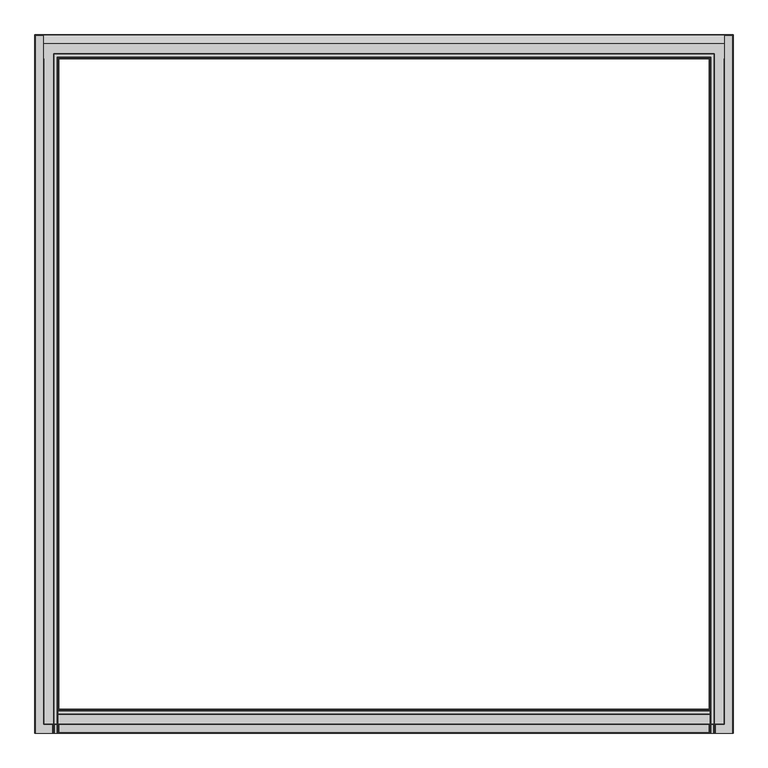
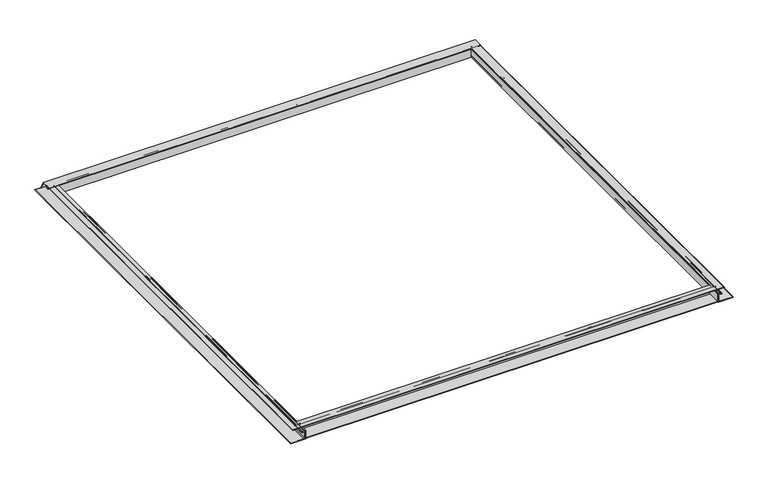
"""IFC4 building model written with IfcOpenShell, lengths in millimetres: fastener geometry."""

from ifc_helpers import new_model, si_unit, point, frame, frame_2d, origin, place, context, project, spatial, polyline, circle_curve, ellipse_curve, trimmed, segment, composite_curve, outline, extrude, source, transform, mapped, element, save
from ifc_brep_helpers import plane_surface, cylinder_surface, revolved_surface, advanced_brep


def fastener_6e25423f(model_context):
    return source(origin(), model_context, "Body", "SolidModel", [
        advanced_brep(
        [(-1189.1053092, 1141.2343456, -15.1685625), (-1189.1053092, 1135.3165, -15.1685625), (-1189.1053092, 1135.3165, -13.8350625), (-1189.1053092, 1135.3165, -12.5015625), (-1189.1053092, 1190.6451024, -12.5015625), (-1189.1053092, 1217.7515464, -59.4513008), (-1189.1053092, 1215.4418567, -60.7848008), (-1189.1053092, 1189.1053092, -15.1685625), (-1189.1053092, 1161.8308783, -15.1685625), (-1189.1053092, 1159.573508, -17.4259327), (-1189.1053092, 1159.573508, -26.7633474), (-1189.1053092, 1149.6719492, -26.7633474), (-1189.1053092, 1149.6719492, -24.7662067), (-1189.1053092, 1150.5032605, -24.7662067), (-1189.1053092, 1151.5117177, -23.7577495), (-1189.1053092, 1151.5117177, -21.8661038), (-1189.1053092, 1156.2117258, -21.8661038), (-1189.1053092, 1156.2117258, -15.1685625), (-1189.1053092, 1152.1178999, -15.1685625), (-1189.1053092, 1151.9131963, -17.2095918), (-1189.1053092, 1152.9812344, -18.2776299), (-1189.1053092, 1152.5091166, -19.1991038), (-1189.1053092, 1140.8431289, -19.1991038), (-1189.1053092, 1140.3710112, -18.2776299), (-1189.1053092, 1141.4390493, -17.2095918), (1189.1053092, 1141.2343456, -15.1685625), (1189.1053092, 1141.4390493, -17.2095918), (1189.1053092, 1140.3710112, -18.2776299), (1189.1053092, 1140.8431289, -19.1991038), (1189.1053092, 1152.5091166, -19.1991038), (1189.1053092, 1152.9812344, -18.2776299), (1189.1053092, 1151.9131963, -17.2095918), (1189.1053092, 1152.1178999, -15.1685625), (1189.1053092, 1156.2117258, -15.1685625), (1189.1053092, 1156.2117258, -21.8661038), (1189.1053092, 1151.5117177, -21.8661038), (1189.1053092, 1151.5117177, -23.7577495), (1189.1053092, 1150.5032605, -24.7662067), (1189.1053092, 1149.6719492, -24.7662067), (1189.1053092, 1149.6719492, -26.7633474), (1189.1053092, 1159.573508, -26.7633474), (1189.1053092, 1159.573508, -17.4259327), (1189.1053092, 1161.8308783, -15.1685625), (1189.1053092, 1189.1053092, -15.1685625), (1189.1053092, 1215.4418567, -60.7848008), (1189.1053092, 1217.7515464, -59.4513008), (1189.1053092, 1190.6451024, -12.5015625), (1189.1053092, 1135.3165, -12.5015625), (1189.1053092, 1135.3165, -13.8350625), (1189.1053092, 1135.3165, -15.1685625), (1187.7718092, 1135.3165, -15.1685625), (1187.7718092, -1187.7718092, -15.1685625), (-1187.7718092, -1187.7718092, -15.1685625), (-1187.7718092, 1135.3165, -15.1685625), (1135.3165, 1135.3165, -15.1685625), (-1135.3165, 1135.3165, -15.1685625), (-1135.3165, -1135.3165, -15.1685625), (1135.3165, -1135.3165, -15.1685625), (-1141.2160631, 1135.3165, -15.1685625), (-1152.1361825, 1135.3165, -15.1685625), (-1152.1361825, -1152.1361825, -15.1685625), (1152.1361825, -1152.1361825, -15.1685625), (1152.1361825, 1135.3165, -15.1685625), (1141.2160631, 1135.3165, -15.1685625), (1141.2160631, -1141.2160631, -15.1685625), (-1141.2160631, -1141.2160631, -15.1685625), (-1156.2117258, 1135.3165, -15.1685625), (-1161.8308783, 1135.3165, -15.1685625), (-1161.8308783, -1161.8308783, -15.1685625), (1161.8308783, -1161.8308783, -15.1685625), (1161.8308783, 1135.3165, -15.1685625), (1156.2117258, 1135.3165, -15.1685625), (1156.2117258, -1156.2117258, -15.1685625), (-1156.2117258, -1156.2117258, -15.1685625), (-1187.7718092, 1135.3165, -12.5015625), (1187.7718092, 1135.3165, -12.5015625), (1135.3165, 1135.3165, -12.5015625), (-1135.3165, 1135.3165, -12.5015625), (-1187.7718092, -1187.7718092, -12.5015625), (1187.7718092, -1187.7718092, -12.5015625), (1135.3165, -1135.3165, -12.5015625), (-1135.3165, -1135.3165, -12.5015625), (-1141.4390493, 1135.3165, -17.221498), (-1140.3710112, 1135.3165, -18.2895361), (-1140.8431289, 1135.3165, -19.21101), (-1152.5091166, 1135.3165, -19.21101), (-1152.9812344, 1135.3165, -18.2895361), (-1151.9131963, 1135.3165, -17.221498), (-1156.2117258, 1135.3165, -21.87801), (-1151.5117177, 1135.3165, -21.87801), (-1151.5117177, 1135.3165, -23.7696558), (-1150.5032605, 1135.3165, -24.7781129), (-1149.6719492, 1135.3165, -24.7781129), (-1149.6719492, 1135.3165, -26.7633474), (-1159.573508, 1135.3165, -26.7633474), (-1159.573508, 1135.3165, -17.4259327), (-1141.4390493, -1141.4390493, -17.221498), (-1140.3710112, -1140.3710112, -18.2895361), (-1140.8431289, -1140.8431289, -19.21101), (1140.8431289, -1140.8431289, -19.21101), (1140.8431289, 1135.3165, -19.21101), (1152.5091166, 1135.3165, -19.21101), (1152.5091166, -1152.5091166, -19.21101), (-1152.5091166, -1152.5091166, -19.21101), (-1152.9812344, -1152.9812344, -18.2895361), (-1151.9131963, -1151.9131963, -17.221498), (-1156.2117258, -1156.2117258, -21.87801), (1156.2117258, -1156.2117258, -21.87801), (1156.2117258, 1135.3165, -21.87801), (1151.5117177, 1135.3165, -21.87801), (1151.5117177, -1151.5117177, -21.87801), (-1151.5117177, -1151.5117177, -21.87801), (-1151.5117177, -1151.5117177, -23.7696558), (-1150.5032605, -1150.5032605, -24.7781129), (1150.5032605, -1150.5032605, -24.7781129), (1150.5032605, 1135.3165, -24.7781129), (1149.6719492, 1135.3165, -24.7781129), (1149.6719492, -1149.6719492, -24.7781129), (-1149.6719492, -1149.6719492, -24.7781129), (-1149.6719492, -1149.6719492, -26.7633474), (1149.6719492, -1149.6719492, -26.7633474), (1149.6719492, 1135.3165, -26.7633474), (1159.573508, 1135.3165, -26.7633474), (1159.573508, -1159.573508, -26.7633474), (-1159.573508, -1159.573508, -26.7633474), (-1159.573508, -1159.573508, -17.4259327), (1141.4390493, -1141.4390493, -17.221498), (1140.3710112, -1140.3710112, -18.2895361), (1152.9812344, -1152.9812344, -18.2895361), (1151.9131963, -1151.9131963, -17.221498), (1151.5117177, -1151.5117177, -23.7696558), (1159.573508, -1159.573508, -17.4259327), (1140.3710112, 1135.3165, -18.2895361), (1141.4390493, 1135.3165, -17.221498), (1151.9131963, 1135.3165, -17.221498), (1152.9812344, 1135.3165, -18.2895361), (1159.573508, 1135.3165, -17.4259327), (1151.5117177, 1135.3165, -23.7696558)],
        [
            (0, 1),
            (1, 2),
            (2, 3),
            (3, 4),
            (4, 5),
            (5, 6),
            (6, 7),
            (7, 8),
            (8, 9, circle_curve(frame((-1189.1053092, 1161.8308783, -17.4259327), z_axis=(1.0, 0.0, 0.0), x_axis=(0.0, 1.0, 0.0)), 2.2573702)),
            (9, 10),
            (10, 11),
            (11, 12, circle_curve(frame((-1189.1053092, 1149.6719492, -25.764777), z_axis=(-1.0, 0.0, 0.0), x_axis=(0.0, 1.0, 0.0)), 0.9985703)),
            (12, 13),
            (13, 14, circle_curve(frame((-1189.1053092, 1150.5032605, -23.7577495), z_axis=(1.0, 0.0, 0.0), x_axis=(0.0, 1.0, 0.0)), 1.0084572)),
            (14, 15),
            (15, 16),
            (16, 17),
            (17, 18),
            (18, 19, circle_curve(frame((-1189.1053092, 1152.8500183, -16.2727698), z_axis=(1.0, 0.0, 0.0), x_axis=(0.0, 1.0, 0.0)), 1.3248664)),
            (19, 20),
            (20, 21, circle_curve(frame((-1189.1053092, 1152.5091166, -18.6174219), z_axis=(-1.0, 0.0, 0.0), x_axis=(0.0, 1.0, 0.0)), 0.5816819)),
            (21, 22),
            (22, 23, circle_curve(frame((-1189.1053092, 1140.8431289, -18.6174219), z_axis=(-1.0, 0.0, 0.0), x_axis=(0.0, 1.0, 0.0)), 0.5816819)),
            (23, 24),
            (24, 0, circle_curve(frame((-1189.1053092, 1140.5022273, -16.2727698), z_axis=(1.0, 0.0, 0.0), x_axis=(0.0, 1.0, 0.0)), 1.3248664)),
            (25, 26, circle_curve(frame((1189.1053092, 1140.5022273, -16.2727698), z_axis=(-1.0, 0.0, 0.0), x_axis=(0.0, 1.0, 0.0)), 1.3248664)),
            (26, 27),
            (27, 28, circle_curve(frame((1189.1053092, 1140.8431289, -18.6174219), z_axis=(1.0, 0.0, 0.0), x_axis=(0.0, 1.0, 0.0)), 0.5816819)),
            (28, 29),
            (29, 30, circle_curve(frame((1189.1053092, 1152.5091166, -18.6174219), z_axis=(1.0, 0.0, 0.0), x_axis=(0.0, 1.0, 0.0)), 0.5816819)),
            (30, 31),
            (31, 32, circle_curve(frame((1189.1053092, 1152.8500183, -16.2727698), z_axis=(-1.0, 0.0, 0.0), x_axis=(0.0, 1.0, 0.0)), 1.3248664)),
            (32, 33),
            (33, 34),
            (34, 35),
            (35, 36),
            (36, 37, circle_curve(frame((1189.1053092, 1150.5032605, -23.7577495), z_axis=(-1.0, 0.0, 0.0), x_axis=(0.0, 1.0, 0.0)), 1.0084572)),
            (37, 38),
            (38, 39, circle_curve(frame((1189.1053092, 1149.6719492, -25.764777), z_axis=(1.0, 0.0, 0.0), x_axis=(0.0, 1.0, 0.0)), 0.9985703)),
            (39, 40),
            (40, 41),
            (41, 42, circle_curve(frame((1189.1053092, 1161.8308783, -17.4259327), z_axis=(-1.0, 0.0, 0.0), x_axis=(0.0, 1.0, 0.0)), 2.2573702)),
            (42, 43),
            (43, 44),
            (44, 45),
            (45, 46),
            (46, 47),
            (47, 48),
            (48, 49),
            (49, 25),
            (0, 25),
            (49, 50),
            (50, 51),
            (51, 52),
            (52, 53),
            (53, 1),
            (54, 55),
            (55, 56),
            (56, 57),
            (57, 54),
            (58, 59),
            (59, 60),
            (60, 61),
            (61, 62),
            (62, 63),
            (63, 64),
            (64, 65),
            (65, 58),
            (66, 67),
            (67, 68),
            (68, 69),
            (69, 70),
            (70, 71),
            (71, 72),
            (72, 73),
            (73, 66),
            (53, 2, circle_curve(frame((-1187.7718092, 1135.3165, -13.8350625), z_axis=(0.0, 1.0, 0.0), x_axis=(1.0, 0.0, 0.0)), 1.3335)),
            (2, 74, circle_curve(frame((-1187.7718092, 1135.3165, -13.8350625), z_axis=(0.0, 1.0, 0.0), x_axis=(1.0, 0.0, 0.0)), 1.3335)),
            (74, 3),
            (47, 75),
            (75, 48, circle_curve(frame((1187.7718092, 1135.3165, -13.8350625), z_axis=(0.0, 1.0, 0.0), x_axis=(-1.0, 0.0, 0.0)), 1.3335)),
            (48, 50, circle_curve(frame((1187.7718092, 1135.3165, -13.8350625), z_axis=(0.0, 1.0, 0.0), x_axis=(-1.0, 0.0, 0.0)), 1.3335)),
            (54, 76),
            (76, 77),
            (77, 55),
            (74, 78),
            (78, 79),
            (79, 75),
            (46, 4),
            (76, 80),
            (80, 81),
            (81, 77),
            (45, 5),
            (44, 6),
            (43, 7),
            (42, 8),
            (41, 9),
            (40, 10),
            (39, 11),
            (38, 12),
            (37, 13),
            (36, 14),
            (35, 15),
            (34, 16),
            (33, 17),
            (32, 18),
            (19, 31),
            (30, 20),
            (29, 21),
            (28, 22),
            (27, 23),
            (26, 24),
            (58, 82, circle_curve(frame((-1140.5022273, 1135.3165, -16.284676), z_axis=(0.0, -1.0, 0.0), x_axis=(1.0, 0.0, 0.0)), 1.3248664)),
            (82, 83),
            (83, 84, circle_curve(frame((-1140.8431289, 1135.3165, -18.6293281), z_axis=(0.0, 1.0, 0.0), x_axis=(1.0, 0.0, 0.0)), 0.5816819)),
            (84, 85),
            (85, 86, circle_curve(frame((-1152.5091166, 1135.3165, -18.6293281), z_axis=(0.0, 1.0, 0.0), x_axis=(1.0, 0.0, 0.0)), 0.5816819)),
            (86, 87),
            (87, 59, circle_curve(frame((-1152.8500183, 1135.3165, -16.284676), z_axis=(0.0, -1.0, 0.0), x_axis=(1.0, 0.0, 0.0)), 1.3248664)),
            (66, 88),
            (88, 89),
            (89, 90),
            (90, 91, circle_curve(frame((-1150.5032605, 1135.3165, -23.7696558), z_axis=(0.0, -1.0, 0.0), x_axis=(1.0, 0.0, 0.0)), 1.0084572)),
            (91, 92),
            (92, 93, circle_curve(frame((-1149.6719492, 1135.3165, -25.7707301), z_axis=(0.0, 1.0, 0.0), x_axis=(1.0, 0.0, 0.0)), 0.9926172)),
            (93, 94),
            (94, 95),
            (95, 67, circle_curve(frame((-1161.8308783, 1135.3165, -17.4259327), z_axis=(0.0, -1.0, 0.0), x_axis=(1.0, 0.0, 0.0)), 2.2573702)),
            (65, 96, ellipse_curve(frame((-1140.5022273, -1140.5022273, -16.284676), z_axis=(0.7071067811865475, -0.7071067811865475, 0.0), x_axis=(-0.7071067811865474, -0.7071067811865476, 0.0)), 1.873644, 1.3248664)),
            (96, 82),
            (96, 97),
            (97, 83),
            (97, 98, ellipse_curve(frame((-1140.8431289, -1140.8431289, -18.6293281), z_axis=(-0.7071067811865475, 0.7071067811865475, 0.0), x_axis=(0.7071067811865474, 0.7071067811865476, 0.0)), 0.8226224, 0.5816819)),
            (98, 84),
            (98, 99),
            (99, 100),
            (100, 101),
            (101, 102),
            (102, 103),
            (103, 85),
            (103, 104, ellipse_curve(frame((-1152.5091166, -1152.5091166, -18.6293281), z_axis=(-0.7071067811865475, 0.7071067811865475, 0.0), x_axis=(0.7071067811865474, 0.7071067811865476, 0.0)), 0.8226224, 0.5816819)),
            (104, 86),
            (104, 105),
            (105, 87),
            (105, 60, ellipse_curve(frame((-1152.8500183, -1152.8500183, -16.284676), z_axis=(0.7071067811865475, -0.7071067811865475, 0.0), x_axis=(-0.7071067811865474, -0.7071067811865476, 0.0)), 1.873644, 1.3248664)),
            (73, 106),
            (106, 88),
            (106, 107),
            (107, 108),
            (108, 109),
            (109, 110),
            (110, 111),
            (111, 89),
            (111, 112),
            (112, 90),
            (112, 113, ellipse_curve(frame((-1150.5032605, -1150.5032605, -23.7696558), z_axis=(0.7071067811865475, -0.7071067811865475, 0.0), x_axis=(-0.7071067811865474, -0.7071067811865476, 0.0)), 1.4261738, 1.0084572)),
            (113, 91),
            (113, 114),
            (114, 115),
            (115, 116),
            (116, 117),
            (117, 118),
            (118, 92),
            (118, 119, ellipse_curve(frame((-1149.6719492, -1149.6719492, -25.7707301), z_axis=(-0.7071067811865475, 0.7071067811865475, 0.0), x_axis=(0.7071067811865474, 0.7071067811865476, 0.0)), 1.4037727, 0.9926172)),
            (119, 93),
            (119, 120),
            (120, 121),
            (121, 122),
            (122, 123),
            (123, 124),
            (124, 94),
            (124, 125),
            (125, 95),
            (125, 68, ellipse_curve(frame((-1161.8308783, -1161.8308783, -17.4259327), z_axis=(0.7071067811865475, -0.7071067811865475, 0.0), x_axis=(-0.7071067811865474, -0.7071067811865476, 0.0)), 3.1924036, 2.2573702)),
            (52, 78, ellipse_curve(frame((-1187.7718092, -1187.7718092, -13.8350625), z_axis=(-0.7071067811865475, 0.7071067811865475, 0.0), x_axis=(0.7071067811865474, 0.7071067811865476, 0.0)), 1.8858538, 1.3335)),
            (81, 56),
            (64, 126, ellipse_curve(frame((1140.5022273, -1140.5022273, -16.284676), z_axis=(0.7071067811865475, 0.7071067811865475, 0.0), x_axis=(0.7071067811865476, -0.7071067811865474, 0.0)), 1.873644, 1.3248664)),
            (126, 96),
            (126, 127),
            (127, 97),
            (127, 99, ellipse_curve(frame((1140.8431289, -1140.8431289, -18.6293281), z_axis=(-0.7071067811865475, -0.7071067811865475, 0.0), x_axis=(-0.7071067811865476, 0.7071067811865474, 0.0)), 0.8226224, 0.5816819)),
            (102, 128, ellipse_curve(frame((1152.5091166, -1152.5091166, -18.6293281), z_axis=(-0.7071067811865475, -0.7071067811865475, 0.0), x_axis=(-0.7071067811865476, 0.7071067811865474, 0.0)), 0.8226224, 0.5816819)),
            (128, 104),
            (128, 129),
            (129, 105),
            (129, 61, ellipse_curve(frame((1152.8500183, -1152.8500183, -16.284676), z_axis=(0.7071067811865475, 0.7071067811865475, 0.0), x_axis=(0.7071067811865476, -0.7071067811865474, 0.0)), 1.873644, 1.3248664)),
            (72, 107),
            (110, 130),
            (130, 112),
            (130, 114, ellipse_curve(frame((1150.5032605, -1150.5032605, -23.7696558), z_axis=(0.7071067811865475, 0.7071067811865475, 0.0), x_axis=(0.7071067811865476, -0.7071067811865474, 0.0)), 1.4261738, 1.0084572)),
            (117, 120, ellipse_curve(frame((1149.6719492, -1149.6719492, -25.7707301), z_axis=(-0.7071067811865475, -0.7071067811865475, 0.0), x_axis=(-0.7071067811865476, 0.7071067811865474, 0.0)), 1.4037727, 0.9926172)),
            (123, 131),
            (131, 125),
            (131, 69, ellipse_curve(frame((1161.8308783, -1161.8308783, -17.4259327), z_axis=(0.7071067811865475, 0.7071067811865475, 0.0), x_axis=(0.7071067811865476, -0.7071067811865474, 0.0)), 3.1924036, 2.2573702)),
            (51, 79, ellipse_curve(frame((1187.7718092, -1187.7718092, -13.8350625), z_axis=(-0.7071067811865475, -0.7071067811865475, 0.0), x_axis=(-0.7071067811865476, 0.7071067811865474, 0.0)), 1.8858538, 1.3335)),
            (80, 57),
            (100, 132, circle_curve(frame((1140.8431289, 1135.3165, -18.6293281), z_axis=(0.0, 1.0, 0.0), x_axis=(-1.0, 0.0, 0.0)), 0.5816819)),
            (132, 133),
            (133, 63, circle_curve(frame((1140.5022273, 1135.3165, -16.284676), z_axis=(0.0, -1.0, 0.0), x_axis=(-1.0, 0.0, 0.0)), 1.3248664)),
            (62, 134, circle_curve(frame((1152.8500183, 1135.3165, -16.284676), z_axis=(0.0, -1.0, 0.0), x_axis=(-1.0, 0.0, 0.0)), 1.3248664)),
            (134, 135),
            (135, 101, circle_curve(frame((1152.5091166, 1135.3165, -18.6293281), z_axis=(0.0, 1.0, 0.0), x_axis=(-1.0, 0.0, 0.0)), 0.5816819)),
            (108, 71),
            (70, 136, circle_curve(frame((1161.8308783, 1135.3165, -17.4259327), z_axis=(0.0, -1.0, 0.0), x_axis=(-1.0, 0.0, 0.0)), 2.2573702)),
            (136, 122),
            (121, 116, circle_curve(frame((1149.6719492, 1135.3165, -25.7707301), z_axis=(0.0, 1.0, 0.0), x_axis=(-1.0, 0.0, 0.0)), 0.9926172)),
            (115, 137, circle_curve(frame((1150.5032605, 1135.3165, -23.7696558), z_axis=(0.0, -1.0, 0.0), x_axis=(-1.0, 0.0, 0.0)), 1.0084572)),
            (137, 109),
            (133, 126),
            (132, 127),
            (135, 128),
            (134, 129),
            (137, 130),
            (136, 131),
        ],
        [
            plane_surface(frame((-1189.1053092, 1219.2, 0.0), z_axis=(-1.0, 0.0, 0.0), x_axis=(0.0, 0.0, 1.0))),
            plane_surface(frame((1189.1053092, 1219.2, 0.0), z_axis=(1.0, 0.0, 0.0), x_axis=(0.0, 0.0, 1.0))),
            plane_surface(frame((-1189.1053092, 1141.2343456, -15.1685625), z_axis=(0.0, 0.0, -1.0), x_axis=(1.0, 0.0, 0.0))),
            plane_surface(frame((-1189.1053092, 1135.3165, -15.1685625), z_axis=(0.0, -1.0, 0.0), x_axis=(1.0, 0.0, 0.0))),
            plane_surface(frame((-1189.1053092, 1135.3165, -12.5015625), z_axis=(0.0, 0.0, 1.0), x_axis=(1.0, 0.0, 0.0))),
            plane_surface(frame((-1189.1053092, 1190.6451024, -12.5015625), z_axis=(0.0, 0.8660254037844348, 0.5000000000000067), x_axis=(1.0, 0.0, 0.0))),
            plane_surface(frame((-1189.1053092, 1217.7515464, -59.4513008), z_axis=(0.0, 0.4999999999999756, -0.8660254037844528), x_axis=(1.0, 0.0, 0.0))),
            plane_surface(frame((-1189.1053092, 1215.4418567, -60.7848008), z_axis=(0.0, -0.8660254037844309, -0.5000000000000133), x_axis=(1.0, 0.0, 0.0))),
            plane_surface(frame((-1189.1053092, 1189.1053092, -15.1685625), z_axis=(0.0, 0.0, -1.0), x_axis=(1.0, 0.0, 0.0))),
            revolved_surface(polyline([(1189.1053092, 1164.0882485, -17.4259327), (-1189.1053092, 1164.0882485, -17.4259327)]), (-1189.1053092, 1161.8308783, -17.4259327), (1.0, 0.0, 0.0)),
            plane_surface(frame((-1189.1053092, 1159.573508, -17.4259327), z_axis=(0.0, 1.0, 0.0), x_axis=(1.0, 0.0, 0.0))),
            plane_surface(frame((-1189.1053092, 1159.573508, -26.7633474), z_axis=(0.0, 0.0, -1.0), x_axis=(1.0, 0.0, 0.0))),
            cylinder_surface(frame((-1189.1053092, 1149.6719492, -25.764777), z_axis=(-1.0, 0.0, 0.0), x_axis=(0.0, 1.0, 0.0)), 0.9985703),
            plane_surface(frame((-1189.1053092, 1149.6719492, -24.7662067), z_axis=(0.0, 0.0, 1.0), x_axis=(1.0, 0.0, 0.0))),
            revolved_surface(polyline([(1189.1053092, 1151.5117177, -23.7577495), (-1189.1053092, 1151.5117177, -23.7577495)]), (-1189.1053092, 1150.5032605, -23.7577495), (1.0, 0.0, 0.0)),
            plane_surface(frame((-1189.1053092, 1151.5117177, -23.7577495), z_axis=(0.0, -1.0, 0.0), x_axis=(1.0, 0.0, 0.0))),
            plane_surface(frame((-1189.1053092, 1151.5117177, -21.8661038), z_axis=(0.0, 0.0, 1.0), x_axis=(1.0, 0.0, 0.0))),
            plane_surface(frame((-1189.1053092, 1156.2117258, -21.8661038), z_axis=(0.0, -1.0, 0.0), x_axis=(1.0, 0.0, 0.0))),
            plane_surface(frame((-1189.1053092, 1156.2117258, -15.1685625), z_axis=(0.0, 0.0, -1.0), x_axis=(1.0, 0.0, 0.0))),
            plane_surface(frame((-1189.1053092, 1151.9131963, -17.2095918), z_axis=(0.0, 0.7071067811859371, 0.7071067811871581), x_axis=(1.0, 0.0, 0.0))),
            cylinder_surface(frame((-1189.1053092, 1152.5091166, -18.6174219), z_axis=(-1.0, 0.0, 0.0), x_axis=(0.0, 1.0, 0.0)), 0.5816819),
            plane_surface(frame((-1189.1053092, 1152.5091166, -19.1991038), z_axis=(0.0, 0.0, -1.0), x_axis=(1.0, 0.0, 0.0))),
            cylinder_surface(frame((-1189.1053092, 1140.8431289, -18.6174219), z_axis=(-1.0, 0.0, 0.0), x_axis=(0.0, 1.0, 0.0)), 0.5816819),
            plane_surface(frame((-1189.1053092, 1140.3710112, -18.2776299), z_axis=(0.0, -0.7071067811859483, 0.7071067811871469), x_axis=(1.0, 0.0, 0.0))),
            revolved_surface(polyline([(1189.1053092, 1154.1748847000001, -16.2727698), (-1189.1053092, 1154.1748847000001, -16.2727698)]), (-1189.1053092, 1152.8500183, -16.2727698), (1.0, 0.0, 0.0)),
            revolved_surface(polyline([(1189.1053092, 1141.8270937, -16.2727698), (-1189.1053092, 1141.8270937, -16.2727698)]), (-1189.1053092, 1140.5022273, -16.2727698), (1.0, 0.0, 0.0)),
            plane_surface(frame((-1219.2, 1135.3165, 0.0), z_axis=(0.0, 1.0, 0.0), x_axis=(0.0, 0.0, 1.0))),
            revolved_surface(polyline([(-1139.1773609, -1141.8270936779295, -16.284676), (-1139.1773609, 1135.3165, -16.284676)]), (-1140.5022273, 1135.3165, -16.284676), (0.0, -1.0, 0.0)),
            plane_surface(frame((-1141.4390493, 1135.3165, -17.221498), z_axis=(0.7071067811872477, 0.0, 0.7071067811858475), x_axis=(0.0, -1.0, 0.0))),
            cylinder_surface(frame((-1140.8431289, 1135.3165, -18.6293281), z_axis=(0.0, 1.0, 0.0), x_axis=(1.0, 0.0, 0.0)), 0.5816819),
            plane_surface(frame((-1140.8431289, 1135.3165, -19.21101), z_axis=(0.0, 0.0, -1.0), x_axis=(0.0, -1.0, 0.0))),
            cylinder_surface(frame((-1152.5091166, 1135.3165, -18.6293281), z_axis=(0.0, 1.0, 0.0), x_axis=(1.0, 0.0, 0.0)), 0.5816819),
            plane_surface(frame((-1152.9812344, 1135.3165, -18.2895361), z_axis=(-0.7071067811877966, 0.0, 0.7071067811852986), x_axis=(0.0, -1.0, 0.0))),
            revolved_surface(polyline([(-1151.5251519, -1154.1748846779296, -16.284676), (-1151.5251519, 1135.3165, -16.284676)]), (-1152.8500183, 1135.3165, -16.284676), (0.0, -1.0, 0.0)),
            plane_surface(frame((-1156.2117258, 1135.3165, -15.1685625), z_axis=(1.0, 0.0, 0.0), x_axis=(0.0, -1.0, 0.0))),
            plane_surface(frame((-1156.2117258, 1135.3165, -21.87801), z_axis=(0.0, 0.0, 1.0), x_axis=(0.0, -1.0, 0.0))),
            plane_surface(frame((-1151.5117177, 1135.3165, -21.87801), z_axis=(1.0, 0.0, 0.0), x_axis=(0.0, -1.0, 0.0))),
            revolved_surface(polyline([(-1149.4948032999998, -1151.5117177000002, -23.7696558), (-1149.4948032999998, 1135.3165, -23.7696558)]), (-1150.5032605, 1135.3165, -23.7696558), (0.0, -1.0, 0.0)),
            plane_surface(frame((-1150.5032605, 1135.3165, -24.7781129), z_axis=(0.0, 0.0, 1.0), x_axis=(0.0, -1.0, 0.0))),
            cylinder_surface(frame((-1149.6719492, 1135.3165, -25.7707301), z_axis=(0.0, 1.0, 0.0), x_axis=(1.0, 0.0, 0.0)), 0.9926172),
            plane_surface(frame((-1149.6719492, 1135.3165, -26.7633474), z_axis=(0.0, 0.0, -1.0), x_axis=(0.0, -1.0, 0.0))),
            plane_surface(frame((-1159.573508, 1135.3165, -26.7633474), z_axis=(-1.0, 0.0, 0.0), x_axis=(0.0, -1.0, 0.0))),
            revolved_surface(polyline([(-1159.5735081, -1164.0882485338448, -17.4259327), (-1159.5735081, 1135.3165, -17.4259327)]), (-1161.8308783, 1135.3165, -17.4259327), (0.0, -1.0, 0.0)),
            cylinder_surface(frame((-1187.7718092, 1135.3165, -13.8350625), z_axis=(0.0, 1.0, 0.0), x_axis=(1.0, 0.0, 0.0)), 1.3335),
            plane_surface(frame((-1135.3165, 1135.3165, -12.5015625), z_axis=(1.0, 0.0, 0.0), x_axis=(0.0, -1.0, 0.0))),
            revolved_surface(polyline([(1141.8270936779297, -1139.1773609, -16.284676), (-1141.8270936779295, -1139.1773609, -16.284676)]), (-1219.2, -1140.5022273, -16.284676), (1.0, 0.0, 0.0)),
            plane_surface(frame((-1141.4390493, -1141.4390493, -17.221498), z_axis=(0.0, 0.7071067811872477, 0.7071067811858475), x_axis=(1.0, 0.0, 0.0))),
            cylinder_surface(frame((-1219.2, -1140.8431289, -18.6293281), z_axis=(-1.0, 0.0, 0.0), x_axis=(0.0, 1.0, 0.0)), 0.5816819),
            cylinder_surface(frame((-1219.2, -1152.5091166, -18.6293281), z_axis=(-1.0, 0.0, 0.0), x_axis=(0.0, 1.0, 0.0)), 0.5816819),
            plane_surface(frame((-1152.9812344, -1152.9812344, -18.2895361), z_axis=(0.0, -0.7071067811877966, 0.7071067811852986), x_axis=(1.0, 0.0, 0.0))),
            revolved_surface(polyline([(1154.1748846779299, -1151.5251519, -16.284676), (-1154.1748846779296, -1151.5251519, -16.284676)]), (-1219.2, -1152.8500183, -16.284676), (1.0, 0.0, 0.0)),
            plane_surface(frame((-1156.2117258, -1156.2117258, -15.1685625), z_axis=(0.0, 1.0, 0.0), x_axis=(1.0, 0.0, 0.0))),
            plane_surface(frame((-1151.5117177, -1151.5117177, -21.87801), z_axis=(0.0, 1.0, 0.0), x_axis=(1.0, 0.0, 0.0))),
            revolved_surface(polyline([(1151.5117177, -1149.4948032999998, -23.7696558), (-1151.5117177, -1149.4948032999998, -23.7696558)]), (-1219.2, -1150.5032605, -23.7696558), (1.0, 0.0, 0.0)),
            cylinder_surface(frame((-1219.2, -1149.6719492, -25.7707301), z_axis=(-1.0, 0.0, 0.0), x_axis=(0.0, 1.0, 0.0)), 0.9926172),
            plane_surface(frame((-1159.573508, -1159.573508, -26.7633474), z_axis=(0.0, -1.0, 0.0), x_axis=(1.0, 0.0, 0.0))),
            revolved_surface(polyline([(1164.0882485338445, -1159.5735081, -17.4259327), (-1164.0882485338443, -1159.5735081, -17.4259327)]), (-1219.2, -1161.8308783, -17.4259327), (1.0, 0.0, 0.0)),
            cylinder_surface(frame((-1219.2, -1187.7718092, -13.8350625), z_axis=(-1.0, 0.0, 0.0), x_axis=(0.0, 1.0, 0.0)), 1.3335),
            plane_surface(frame((-1135.3165, -1135.3165, -12.5015625), z_axis=(0.0, 1.0, 0.0), x_axis=(1.0, 0.0, 0.0))),
            plane_surface(frame((1219.2, 1135.3165, 0.0), z_axis=(0.0, 1.0, 0.0), x_axis=(0.0, 0.0, 1.0))),
            revolved_surface(polyline([(1139.1773609, 1135.3164999999997, -16.284676), (1139.1773609, -1141.8270936779295, -16.284676)]), (1140.5022273, -1219.2, -16.284676), (0.0, 1.0, 0.0)),
            plane_surface(frame((1141.4390493, -1141.4390493, -17.221498), z_axis=(-0.7071067811872477, 0.0, 0.7071067811858475), x_axis=(0.0, 1.0, 0.0))),
            cylinder_surface(frame((1140.8431289, -1219.2, -18.6293281), z_axis=(0.0, -1.0, 0.0), x_axis=(-1.0, 0.0, 0.0)), 0.5816819),
            cylinder_surface(frame((1152.5091166, -1219.2, -18.6293281), z_axis=(0.0, -1.0, 0.0), x_axis=(-1.0, 0.0, 0.0)), 0.5816819),
            plane_surface(frame((1152.9812344, -1152.9812344, -18.2895361), z_axis=(0.7071067811877966, 0.0, 0.7071067811852986), x_axis=(0.0, 1.0, 0.0))),
            revolved_surface(polyline([(1151.5251519, 1135.3164999999997, -16.284676), (1151.5251519, -1154.1748846779296, -16.284676)]), (1152.8500183, -1219.2, -16.284676), (0.0, 1.0, 0.0)),
            plane_surface(frame((1156.2117258, -1156.2117258, -15.1685625), z_axis=(-1.0, 0.0, 0.0), x_axis=(0.0, 1.0, 0.0))),
            plane_surface(frame((1151.5117177, -1151.5117177, -21.87801), z_axis=(-1.0, 0.0, 0.0), x_axis=(0.0, 1.0, 0.0))),
            revolved_surface(polyline([(1149.4948032999998, 1135.3164999999997, -23.7696558), (1149.4948032999998, -1151.5117177, -23.7696558)]), (1150.5032605, -1219.2, -23.7696558), (0.0, 1.0, 0.0)),
            cylinder_surface(frame((1149.6719492, -1219.2, -25.7707301), z_axis=(0.0, -1.0, 0.0), x_axis=(-1.0, 0.0, 0.0)), 0.9926172),
            plane_surface(frame((1159.573508, -1159.573508, -26.7633474), z_axis=(1.0, 0.0, 0.0), x_axis=(0.0, 1.0, 0.0))),
            revolved_surface(polyline([(1159.5735081, 1135.3164999999997, -17.4259327), (1159.5735081, -1164.0882485338443, -17.4259327)]), (1161.8308783, -1219.2, -17.4259327), (0.0, 1.0, 0.0)),
            cylinder_surface(frame((1187.7718092, -1219.2, -13.8350625), z_axis=(0.0, -1.0, 0.0), x_axis=(-1.0, 0.0, 0.0)), 1.3335),
            plane_surface(frame((1135.3165, -1135.3165, -12.5015625), z_axis=(-1.0, 0.0, 0.0), x_axis=(0.0, 1.0, 0.0))),
        ],
        [
            (0, [[1, 2, 3, 4, 5, 6, 7, 8, 9, 10, 11, 12, 13, 14, 15, 16, 17, 18, 19, 20, 21, 22, 23, 24, 25]]),
            (1, [[26, 27, 28, 29, 30, 31, 32, 33, 34, 35, 36, 37, 38, 39, 40, 41, 42, 43, 44, 45, 46, 47, 48, 49, 50]]),
            (2, [[-1, 51, -50, 52, 53, 54, 55, 56], [57, 58, 59, 60], [61, 62, 63, 64, 65, 66, 67, 68], [69, 70, 71, 72, 73, 74, 75, 76]]),
            (3, [[-2, -56, 77]]),
            (3, [[-3, 78, 79]]),
            (3, [[-48, 80, 81]]),
            (3, [[-49, 82, -52]]),
            (3, [[-57, 83, 84, 85]]),
            (4, [[-4, -79, 86, 87, 88, -80, -47, 89], [-84, 90, 91, 92]]),
            (5, [[-5, -89, -46, 93]]),
            (6, [[-6, -93, -45, 94]]),
            (7, [[-7, -94, -44, 95]]),
            (8, [[-8, -95, -43, 96]]),
            (9, [[-9, -96, -42, 97]]),
            (10, [[-10, -97, -41, 98]]),
            (11, [[-11, -98, -40, 99]]),
            (12, [[-12, -99, -39, 100]]),
            (13, [[-13, -100, -38, 101]]),
            (14, [[-14, -101, -37, 102]]),
            (15, [[-15, -102, -36, 103]]),
            (16, [[-16, -103, -35, 104]]),
            (17, [[-17, -104, -34, 105]]),
            (18, [[-18, -105, -33, 106]]),
            (19, [[-20, 107, -31, 108]]),
            (20, [[-21, -108, -30, 109]]),
            (21, [[-22, -109, -29, 110]]),
            (22, [[-23, -110, -28, 111]]),
            (23, [[-24, -111, -27, 112]]),
            (24, [[-19, -106, -32, -107]]),
            (25, [[-25, -112, -26, -51]]),
            (26, [[113, 114, 115, 116, 117, 118, 119, -61]]),
            (26, [[120, 121, 122, 123, 124, 125, 126, 127, 128, -69]]),
            (27, [[-113, -68, 129, 130]]),
            (28, [[-114, -130, 131, 132]]),
            (29, [[-115, -132, 133, 134]]),
            (30, [[-116, -134, 135, 136, 137, 138, 139, 140]]),
            (31, [[-117, -140, 141, 142]]),
            (32, [[-118, -142, 143, 144]]),
            (33, [[-119, -144, 145, -62]]),
            (34, [[-120, -76, 146, 147]]),
            (35, [[-121, -147, 148, 149, 150, 151, 152, 153]]),
            (36, [[-122, -153, 154, 155]]),
            (37, [[-123, -155, 156, 157]]),
            (38, [[-124, -157, 158, 159, 160, 161, 162, 163]]),
            (39, [[-125, -163, 164, 165]]),
            (40, [[-126, -165, 166, 167, 168, 169, 170, 171]]),
            (41, [[-127, -171, 172, 173]]),
            (42, [[-128, -173, 174, -70]]),
            (43, [[-55, 175, -86, -78, -77]]),
            (44, [[-92, 176, -58, -85]]),
            (45, [[-129, -67, 177, 178]]),
            (46, [[-131, -178, 179, 180]]),
            (47, [[-133, -180, 181, -135]]),
            (48, [[-139, 182, 183, -141]]),
            (49, [[-143, -183, 184, 185]]),
            (50, [[-145, -185, 186, -63]]),
            (51, [[-75, 187, -148, -146]]),
            (52, [[-152, 188, 189, -154]]),
            (53, [[-156, -189, 190, -158]]),
            (54, [[-162, 191, -166, -164]]),
            (55, [[-170, 192, 193, -172]]),
            (56, [[-174, -193, 194, -71]]),
            (57, [[-54, 195, -87, -175]]),
            (58, [[-91, 196, -59, -176]]),
            (59, [[-137, 197, 198, 199, -65, 200, 201, 202]]),
            (59, [[-150, 203, -73, 204, 205, -168, 206, -160, 207, 208]]),
            (60, [[-66, -199, 209, -177]]),
            (61, [[-179, -209, -198, 210]]),
            (62, [[-136, -181, -210, -197]]),
            (63, [[-138, -202, 211, -182]]),
            (64, [[-184, -211, -201, 212]]),
            (65, [[-64, -186, -212, -200]]),
            (66, [[-74, -203, -149, -187]]),
            (67, [[-151, -208, 213, -188]]),
            (68, [[-159, -190, -213, -207]]),
            (69, [[-161, -206, -167, -191]]),
            (70, [[-169, -205, 214, -192]]),
            (71, [[-72, -194, -214, -204]]),
            (72, [[-53, -82, -81, -88, -195]]),
            (73, [[-90, -83, -60, -196]]),
        ],
    ),
        extrude(outline(composite_curve([segment(polyline([(-1135.3165, -15.1804688), (-1135.3165, -63.3015625), (-1217.8665, -63.3015625)]), True, "CONTINUOUS"), segment(trimmed(circle_curve(frame_2d((-1217.8665, -61.9680625)), 1.3335), [point((-1217.8665, -63.3015625))], [point((-1217.8665, -60.6345625))], False, "CARTESIAN"), True, "CONTINUOUS"), segment(polyline([(-1217.8665, -60.6345625), (-1145.5344517, -60.6345625)]), True, "CONTINUOUS"), segment(trimmed(circle_curve(frame_2d((-1145.5344517, -53.0836108)), 7.5509517), [point((-1145.5344517, -60.6345625))], [point((-1137.9835, -53.0836108))], True, "CARTESIAN"), True, "CONTINUOUS"), segment(polyline([(-1137.9835, -53.0836108), (-1137.9835, -21.87801), (-1156.2117258, -21.87801), (-1156.2117258, -15.1804688), (-1152.1178999, -15.1804688)]), True, "CONTINUOUS"), segment(trimmed(circle_curve(frame_2d((-1152.8274757, -16.2725079)), 1.3023238), [point((-1152.1178999, -15.1804688))], [point((-1151.9131963, -17.1999455))], False, "CARTESIAN"), True, "CONTINUOUS"), segment(polyline([(-1151.9131963, -17.1999455), (-1152.9649499, -18.2679836)]), True, "CONTINUOUS"), segment(trimmed(circle_curve(frame_2d((-1152.5091166, -18.6293281)), 0.5816819), [point((-1152.9649499, -18.2679836))], [point((-1152.5091166, -19.21101))], True, "CARTESIAN"), True, "CONTINUOUS"), segment(polyline([(-1152.5091166, -19.21101), (-1140.8594568, -19.21101)]), True, "CONTINUOUS"), segment(trimmed(circle_curve(frame_2d((-1140.8594568, -18.6130003)), 0.5980097), [point((-1140.8594568, -19.21101))], [point((-1140.3710112, -18.2679836))], True, "CARTESIAN"), True, "CONTINUOUS"), segment(polyline([(-1140.3710112, -18.2679836), (-1141.460117, -17.1999455)]), True, "CONTINUOUS"), segment(trimmed(circle_curve(frame_2d((-1140.5022273, -16.284676)), 1.3248664), [point((-1141.460117, -17.1999455))], [point((-1141.2343456, -15.1804688))], False, "CARTESIAN"), True, "CONTINUOUS"), segment(polyline([(-1141.2343456, -15.1804688), (-1135.3165, -15.1804688)]), True, "CONTINUOUS")], self_intersect=False)), frame((-1135.3165, 0.0, 0.0), z_axis=(1.0, 0.0, 0.0), x_axis=(0.0, 1.0, 0.0)), (0.0, 0.0, 1.0), 2270.633),
        advanced_brep(
        [(-1135.3165, -1219.2, -15.1804688), (-1141.2343456, -1219.2, -15.1804688), (-1141.460117, -1219.2, -17.1999455), (-1140.3710112, -1219.2, -18.2679836), (-1140.8594568, -1219.2, -19.21101), (-1152.5091166, -1219.2, -19.21101), (-1152.9649499, -1219.2, -18.2679836), (-1151.9131963, -1219.2, -17.1999455), (-1152.1178999, -1219.2, -15.1804688), (-1156.2117258, -1219.2, -15.1804688), (-1156.2117258, -1219.2, -21.87801), (-1137.9835, -1219.2, -21.87801), (-1137.9835, -1219.2, -53.0836108), (-1145.5344517, -1219.2, -60.6345625), (-1217.8665, -1219.2, -60.6345625), (-1217.8665, -1219.2, -63.3015625), (-1135.3165, -1219.2, -63.3015625), (1135.3165, -1219.2, -15.1804688), (1135.3165, -1219.2, -63.3015625), (1217.8665, -1219.2, -63.3015625), (1217.8665, -1219.2, -60.6345625), (1145.5344517, -1219.2, -60.6345625), (1137.9835, -1219.2, -53.0836108), (1137.9835, -1219.2, -21.87801), (1156.2117258, -1219.2, -21.87801), (1156.2117258, -1219.2, -15.1804688), (1152.1178999, -1219.2, -15.1804688), (1151.9131963, -1219.2, -17.1999455), (1152.9649499, -1219.2, -18.2679836), (1152.5091166, -1219.2, -19.21101), (1140.8594568, -1219.2, -19.21101), (1140.3710112, -1219.2, -18.2679836), (1141.460117, -1219.2, -17.1999455), (1141.2343456, -1219.2, -15.1804688), (-1141.460117, 1141.460117, -17.1999455), (-1141.2343456, 1141.2343456, -15.1804688), (1141.2343456, 1141.2343456, -15.1804688), (1141.460117, 1141.460117, -17.1999455), (-1140.3710112, 1140.3710112, -18.2679836), (1140.3710112, 1140.3710112, -18.2679836), (-1140.8594568, 1140.8594568, -19.21101), (1140.8594568, 1140.8594568, -19.21101), (-1152.9649499, 1152.9649499, -18.2679836), (-1152.5091166, 1152.5091166, -19.21101), (1152.5091166, 1152.5091166, -19.21101), (1152.9649499, 1152.9649499, -18.2679836), (-1151.9131963, 1151.9131963, -17.1999455), (1151.9131963, 1151.9131963, -17.1999455), (-1152.1178999, 1152.1178999, -15.1804688), (1152.1178999, 1152.1178999, -15.1804688), (-1156.2117258, 1156.2117258, -21.87801), (-1156.2117258, 1156.2117258, -15.1804688), (1156.2117258, 1156.2117258, -15.1804688), (1156.2117258, 1156.2117258, -21.87801), (-1137.9835, 1137.9835, -53.0836108), (-1137.9835, 1137.9835, -21.87801), (1137.9835, 1137.9835, -21.87801), (1137.9835, 1137.9835, -53.0836108), (-1145.5344517, 1145.5344517, -60.6345625), (1145.5344517, 1145.5344517, -60.6345625), (-1217.8665, 1217.8665, -63.3015625), (-1217.8665, 1217.8665, -60.6345625), (1217.8665, 1217.8665, -60.6345625), (1217.8665, 1217.8665, -63.3015625), (-1135.3165, 1135.3165, -15.1804688), (-1135.3165, 1135.3165, -63.3015625), (1135.3165, 1135.3165, -63.3015625), (1135.3165, 1135.3165, -15.1804688)],
        [
            (0, 1),
            (1, 2, circle_curve(frame((-1140.5022273, -1219.2, -16.284676), z_axis=(0.0, -1.0, 0.0), x_axis=(-1.0, 0.0, 0.0)), 1.3248664)),
            (2, 3),
            (3, 4, circle_curve(frame((-1140.8594568, -1219.2, -18.6130003), z_axis=(0.0, 1.0, 0.0), x_axis=(-1.0, 0.0, 0.0)), 0.5980097)),
            (4, 5),
            (5, 6, circle_curve(frame((-1152.5091166, -1219.2, -18.6293281), z_axis=(0.0, 1.0, 0.0), x_axis=(-1.0, 0.0, 0.0)), 0.5816819)),
            (6, 7),
            (7, 8, circle_curve(frame((-1152.8274757, -1219.2, -16.2725079), z_axis=(0.0, -1.0, 0.0), x_axis=(-1.0, 0.0, 0.0)), 1.3023238)),
            (8, 9),
            (9, 10),
            (10, 11),
            (11, 12),
            (12, 13, circle_curve(frame((-1145.5344517, -1219.2, -53.0836108), z_axis=(0.0, 1.0, 0.0), x_axis=(-1.0, 0.0, 0.0)), 7.5509517)),
            (13, 14),
            (14, 15, circle_curve(frame((-1217.8665, -1219.2, -61.9680625), z_axis=(0.0, -1.0, 0.0), x_axis=(-1.0, 0.0, 0.0)), 1.3335)),
            (15, 16),
            (16, 0),
            (17, 18),
            (18, 19),
            (19, 20, circle_curve(frame((1217.8665, -1219.2, -61.9680625), z_axis=(0.0, -1.0, 0.0), x_axis=(1.0, 0.0, 0.0)), 1.3335)),
            (20, 21),
            (21, 22, circle_curve(frame((1145.5344517, -1219.2, -53.0836108), z_axis=(0.0, 1.0, 0.0), x_axis=(1.0, 0.0, 0.0)), 7.5509517)),
            (22, 23),
            (23, 24),
            (24, 25),
            (25, 26),
            (26, 27, circle_curve(frame((1152.8274757, -1219.2, -16.2725079), z_axis=(0.0, -1.0, 0.0), x_axis=(1.0, 0.0, 0.0)), 1.3023238)),
            (27, 28),
            (28, 29, circle_curve(frame((1152.5091166, -1219.2, -18.6293281), z_axis=(0.0, 1.0, 0.0), x_axis=(1.0, 0.0, 0.0)), 0.5816819)),
            (29, 30),
            (30, 31, circle_curve(frame((1140.8594568, -1219.2, -18.6130003), z_axis=(0.0, 1.0, 0.0), x_axis=(1.0, 0.0, 0.0)), 0.5980097)),
            (31, 32),
            (32, 33, circle_curve(frame((1140.5022273, -1219.2, -16.284676), z_axis=(0.0, -1.0, 0.0), x_axis=(1.0, 0.0, 0.0)), 1.3248664)),
            (33, 17),
            (34, 35, ellipse_curve(frame((-1140.5022273, 1140.5022273, -16.284676), z_axis=(0.7071067811865475, 0.7071067811865475, 0.0), x_axis=(-0.7071067811865476, 0.7071067811865474, 0.0)), 1.873644, 1.3248664)),
            (35, 36),
            (36, 37, ellipse_curve(frame((1140.5022273, 1140.5022273, -16.284676), z_axis=(-0.7071067811865475, 0.7071067811865475, 0.0), x_axis=(-0.7071067811865476, -0.7071067811865474, 0.0)), 1.873644, 1.3248664)),
            (37, 34),
            (38, 34),
            (37, 39),
            (39, 38),
            (40, 38, ellipse_curve(frame((-1140.8594568, 1140.8594568, -18.6130003), z_axis=(-0.7071067811865475, -0.7071067811865475, 0.0), x_axis=(0.7071067811865476, -0.7071067811865474, 0.0)), 0.8457134, 0.5980097)),
            (39, 41, ellipse_curve(frame((1140.8594568, 1140.8594568, -18.6130003), z_axis=(0.7071067811865475, -0.7071067811865475, 0.0), x_axis=(0.7071067811865476, 0.7071067811865474, 0.0)), 0.8457134, 0.5980097)),
            (41, 40),
            (42, 43, ellipse_curve(frame((-1152.5091166, 1152.5091166, -18.6293281), z_axis=(-0.7071067811865475, -0.7071067811865475, 0.0), x_axis=(0.7071067811865476, -0.7071067811865474, 0.0)), 0.8226224, 0.5816819)),
            (43, 44),
            (44, 45, ellipse_curve(frame((1152.5091166, 1152.5091166, -18.6293281), z_axis=(0.7071067811865475, -0.7071067811865475, 0.0), x_axis=(0.7071067811865476, 0.7071067811865474, 0.0)), 0.8226224, 0.5816819)),
            (45, 42),
            (46, 42),
            (45, 47),
            (47, 46),
            (48, 46, ellipse_curve(frame((-1152.8274757, 1152.8274757, -16.2725079), z_axis=(0.7071067811865475, 0.7071067811865475, 0.0), x_axis=(-0.7071067811865476, 0.7071067811865474, 0.0)), 1.841764, 1.3023238)),
            (47, 49, ellipse_curve(frame((1152.8274757, 1152.8274757, -16.2725079), z_axis=(-0.7071067811865475, 0.7071067811865475, 0.0), x_axis=(-0.7071067811865476, -0.7071067811865474, 0.0)), 1.841764, 1.3023238)),
            (49, 48),
            (50, 51),
            (51, 52),
            (52, 53),
            (53, 50),
            (54, 55),
            (55, 56),
            (56, 57),
            (57, 54),
            (58, 54, ellipse_curve(frame((-1145.5344517, 1145.5344517, -53.0836108), z_axis=(-0.7071067811865475, -0.7071067811865475, 0.0), x_axis=(0.7071067811865476, -0.7071067811865474, 0.0)), 10.6786583, 7.5509517)),
            (57, 59, ellipse_curve(frame((1145.5344517, 1145.5344517, -53.0836108), z_axis=(0.7071067811865475, -0.7071067811865475, 0.0), x_axis=(0.7071067811865476, 0.7071067811865474, 0.0)), 10.6786583, 7.5509517)),
            (59, 58),
            (60, 61, ellipse_curve(frame((-1217.8665, 1217.8665, -61.9680625), z_axis=(0.7071067811865475, 0.7071067811865475, 0.0), x_axis=(-0.7071067811865476, 0.7071067811865474, 0.0)), 1.8858538, 1.3335)),
            (61, 62),
            (62, 63, ellipse_curve(frame((1217.8665, 1217.8665, -61.9680625), z_axis=(-0.7071067811865475, 0.7071067811865475, 0.0), x_axis=(-0.7071067811865476, -0.7071067811865474, 0.0)), 1.8858538, 1.3335)),
            (63, 60),
            (64, 65),
            (65, 66),
            (66, 67),
            (67, 64),
            (0, 64),
            (67, 17),
            (33, 36),
            (35, 1),
            (34, 2),
            (38, 3),
            (40, 4),
            (41, 30),
            (29, 44),
            (43, 5),
            (42, 6),
            (46, 7),
            (48, 8),
            (49, 26),
            (25, 52),
            (51, 9),
            (50, 10),
            (53, 24),
            (23, 56),
            (55, 11),
            (54, 12),
            (58, 13),
            (59, 21),
            (20, 62),
            (61, 14),
            (60, 15),
            (63, 19),
            (18, 66),
            (65, 16),
            (32, 37),
            (31, 39),
            (28, 45),
            (27, 47),
            (22, 57),
        ],
        [
            plane_surface(frame((-1219.2, -1219.2, 0.0), z_axis=(0.0, -1.0, 0.0), x_axis=(0.0, 0.0, 1.0))),
            plane_surface(frame((1219.2, -1219.2, 0.0), z_axis=(0.0, -1.0, 0.0), x_axis=(0.0, 0.0, 1.0))),
            cylinder_surface(frame((-1219.2, 1140.5022273, -16.284676), z_axis=(-1.0, 0.0, 0.0), x_axis=(0.0, 1.0, 0.0)), 1.3248664),
            plane_surface(frame((-1141.460117, 1141.460117, -17.1999455), z_axis=(0.0, 0.7001674507589581, -0.7139786697778175), x_axis=(1.0, 0.0, 0.0))),
            revolved_surface(polyline([(1141.4574664800805, 1141.4574665, -18.6130003), (-1141.4574664800805, 1141.4574665, -18.6130003)]), (-1219.2, 1140.8594568, -18.6130003), (1.0, 0.0, 0.0)),
            revolved_surface(polyline([(1153.090798477396, 1153.0907985, -18.6293281), (-1153.090798477396, 1153.0907985, -18.6293281)]), (-1219.2, 1152.5091166, -18.6293281), (1.0, 0.0, 0.0)),
            plane_surface(frame((-1152.9649499, 1152.9649499, -18.2679836), z_axis=(0.0, -0.7125178459648982, -0.7016539882175129), x_axis=(1.0, 0.0, 0.0))),
            cylinder_surface(frame((-1219.2, 1152.8274757, -16.2725079), z_axis=(-1.0, 0.0, 0.0), x_axis=(0.0, 1.0, 0.0)), 1.3023238),
            plane_surface(frame((-1156.2117258, 1156.2117258, -15.1804688), z_axis=(0.0, 1.0, 0.0), x_axis=(1.0, 0.0, 0.0))),
            plane_surface(frame((-1137.9835, 1137.9835, -21.87801), z_axis=(0.0, 1.0, 0.0), x_axis=(1.0, 0.0, 0.0))),
            revolved_surface(polyline([(1153.0854033979042, 1153.0854034000001, -53.0836108), (-1153.0854033979042, 1153.0854034000001, -53.0836108)]), (-1219.2, 1145.5344517, -53.0836108), (1.0, 0.0, 0.0)),
            cylinder_surface(frame((-1219.2, 1217.8665, -61.9680625), z_axis=(-1.0, 0.0, 0.0), x_axis=(0.0, 1.0, 0.0)), 1.3335),
            plane_surface(frame((-1135.3165, 1135.3165, -63.3015625), z_axis=(0.0, -1.0, 0.0), x_axis=(1.0, 0.0, 0.0))),
            plane_surface(frame((-1135.3165, -1219.2, -15.1804688), z_axis=(0.0, 0.0, 1.0), x_axis=(0.0, 1.0, 0.0))),
            cylinder_surface(frame((-1140.5022273, -1219.2, -16.284676), z_axis=(0.0, -1.0, 0.0), x_axis=(-1.0, 0.0, 0.0)), 1.3248664),
            plane_surface(frame((-1141.460117, -1219.2, -17.1999455), z_axis=(-0.7001674507589581, 0.0, -0.7139786697778175), x_axis=(0.0, 1.0, 0.0))),
            revolved_surface(polyline([(-1141.4574665, 1141.4574664800805, -18.6130003), (-1141.4574665, -1219.2, -18.6130003)]), (-1140.8594568, -1219.2, -18.6130003), (0.0, 1.0, 0.0)),
            plane_surface(frame((-1140.8594568, -1219.2, -19.21101), z_axis=(0.0, 0.0, 1.0), x_axis=(0.0, 1.0, 0.0))),
            revolved_surface(polyline([(-1153.0907985, 1153.090798477396, -18.6293281), (-1153.0907985, -1219.2, -18.6293281)]), (-1152.5091166, -1219.2, -18.6293281), (0.0, 1.0, 0.0)),
            plane_surface(frame((-1152.9649499, -1219.2, -18.2679836), z_axis=(0.7125178459648982, 0.0, -0.7016539882175129), x_axis=(0.0, 1.0, 0.0))),
            cylinder_surface(frame((-1152.8274757, -1219.2, -16.2725079), z_axis=(0.0, -1.0, 0.0), x_axis=(-1.0, 0.0, 0.0)), 1.3023238),
            plane_surface(frame((-1152.1178999, -1219.2, -15.1804688), z_axis=(0.0, 0.0, 1.0), x_axis=(0.0, 1.0, 0.0))),
            plane_surface(frame((-1156.2117258, -1219.2, -15.1804688), z_axis=(-1.0, 0.0, 0.0), x_axis=(0.0, 1.0, 0.0))),
            plane_surface(frame((-1156.2117258, -1219.2, -21.87801), z_axis=(0.0, 0.0, -1.0), x_axis=(0.0, 1.0, 0.0))),
            plane_surface(frame((-1137.9835, -1219.2, -21.87801), z_axis=(-1.0, 0.0, 0.0), x_axis=(0.0, 1.0, 0.0))),
            revolved_surface(polyline([(-1153.0854034000001, 1153.0854033979042, -53.0836108), (-1153.0854034000001, -1219.2, -53.0836108)]), (-1145.5344517, -1219.2, -53.0836108), (0.0, 1.0, 0.0)),
            plane_surface(frame((-1145.5344517, -1219.2, -60.6345625), z_axis=(0.0, 0.0, 1.0), x_axis=(0.0, 1.0, 0.0))),
            cylinder_surface(frame((-1217.8665, -1219.2, -61.9680625), z_axis=(0.0, -1.0, 0.0), x_axis=(-1.0, 0.0, 0.0)), 1.3335),
            plane_surface(frame((-1217.8665, -1219.2, -63.3015625), z_axis=(0.0, 0.0, -1.0), x_axis=(0.0, 1.0, 0.0))),
            plane_surface(frame((-1135.3165, -1219.2, -63.3015625), z_axis=(1.0, 0.0, 0.0), x_axis=(0.0, 1.0, 0.0))),
            cylinder_surface(frame((1140.5022273, 1219.2, -16.284676), z_axis=(0.0, 1.0, 0.0), x_axis=(1.0, 0.0, 0.0)), 1.3248664),
            plane_surface(frame((1141.460117, 1141.460117, -17.1999455), z_axis=(0.7001674507589581, 0.0, -0.7139786697778175), x_axis=(0.0, -1.0, 0.0))),
            revolved_surface(polyline([(1141.4574665, -1219.2, -18.6130003), (1141.4574665, 1141.4574664800805, -18.6130003)]), (1140.8594568, 1219.2, -18.6130003), (0.0, -1.0, 0.0)),
            revolved_surface(polyline([(1153.0907985, -1219.2, -18.6293281), (1153.0907985, 1153.090798477396, -18.6293281)]), (1152.5091166, 1219.2, -18.6293281), (0.0, -1.0, 0.0)),
            plane_surface(frame((1152.9649499, 1152.9649499, -18.2679836), z_axis=(-0.7125178459648982, 0.0, -0.7016539882175129), x_axis=(0.0, -1.0, 0.0))),
            cylinder_surface(frame((1152.8274757, 1219.2, -16.2725079), z_axis=(0.0, 1.0, 0.0), x_axis=(1.0, 0.0, 0.0)), 1.3023238),
            plane_surface(frame((1156.2117258, 1156.2117258, -15.1804688), z_axis=(1.0, 0.0, 0.0), x_axis=(0.0, -1.0, 0.0))),
            plane_surface(frame((1137.9835, 1137.9835, -21.87801), z_axis=(1.0, 0.0, 0.0), x_axis=(0.0, -1.0, 0.0))),
            revolved_surface(polyline([(1153.0854034000001, -1219.2, -53.0836108), (1153.0854034000001, 1153.0854033979042, -53.0836108)]), (1145.5344517, 1219.2, -53.0836108), (0.0, -1.0, 0.0)),
            cylinder_surface(frame((1217.8665, 1219.2, -61.9680625), z_axis=(0.0, 1.0, 0.0), x_axis=(1.0, 0.0, 0.0)), 1.3335),
            plane_surface(frame((1135.3165, 1135.3165, -63.3015625), z_axis=(-1.0, 0.0, 0.0), x_axis=(0.0, -1.0, 0.0))),
        ],
        [
            (0, [[1, 2, 3, 4, 5, 6, 7, 8, 9, 10, 11, 12, 13, 14, 15, 16, 17]]),
            (1, [[18, 19, 20, 21, 22, 23, 24, 25, 26, 27, 28, 29, 30, 31, 32, 33, 34]]),
            (2, [[35, 36, 37, 38]]),
            (3, [[39, -38, 40, 41]]),
            (4, [[42, -41, 43, 44]]),
            (5, [[45, 46, 47, 48]]),
            (6, [[49, -48, 50, 51]]),
            (7, [[52, -51, 53, 54]]),
            (8, [[55, 56, 57, 58]]),
            (9, [[59, 60, 61, 62]]),
            (10, [[63, -62, 64, 65]]),
            (11, [[66, 67, 68, 69]]),
            (12, [[70, 71, 72, 73]]),
            (13, [[-1, 74, -73, 75, -34, 76, -36, 77]]),
            (14, [[-2, -77, -35, 78]]),
            (15, [[-3, -78, -39, 79]]),
            (16, [[-4, -79, -42, 80]]),
            (17, [[-5, -80, -44, 81, -30, 82, -46, 83]]),
            (18, [[-6, -83, -45, 84]]),
            (19, [[-7, -84, -49, 85]]),
            (20, [[-8, -85, -52, 86]]),
            (21, [[-9, -86, -54, 87, -26, 88, -56, 89]]),
            (22, [[-10, -89, -55, 90]]),
            (23, [[-11, -90, -58, 91, -24, 92, -60, 93]]),
            (24, [[-12, -93, -59, 94]]),
            (25, [[-13, -94, -63, 95]]),
            (26, [[-14, -95, -65, 96, -21, 97, -67, 98]]),
            (27, [[-15, -98, -66, 99]]),
            (28, [[-16, -99, -69, 100, -19, 101, -71, 102]]),
            (29, [[-17, -102, -70, -74]]),
            (30, [[-37, -76, -33, 103]]),
            (31, [[-40, -103, -32, 104]]),
            (32, [[-43, -104, -31, -81]]),
            (33, [[-47, -82, -29, 105]]),
            (34, [[-50, -105, -28, 106]]),
            (35, [[-53, -106, -27, -87]]),
            (36, [[-57, -88, -25, -91]]),
            (37, [[-61, -92, -23, 107]]),
            (38, [[-64, -107, -22, -96]]),
            (39, [[-68, -97, -20, -100]]),
            (40, [[-72, -101, -18, -75]]),
        ],
    ),
        extrude(outline(polyline([(-1137.9835, -1219.2), (-1139.9113319, -1219.2), (-1139.9113319, 1139.9113319), (1139.9113319, 1139.9113319), (1139.9113319, -1219.2), (1137.9835, -1219.2), (1137.9835, 1137.9835), (-1137.9835, 1137.9835), (-1137.9835, -1219.2)])), frame((0.0, 0.0, -56.0585938), z_axis=(0.0, 0.0, 1.0), x_axis=(1.0, 0.0, 0.0)), (0.0, 0.0, 1.0), 27.78125),
    ])


if __name__ == "__main__":
    model = new_model("IFC4")
    model_context = context("Model", 3, world=origin())
    ifc_project = project(units=[si_unit("LENGTHUNIT", "METRE", prefix="MILLI")], contexts=[model_context])
    site = spatial("IfcSite", under=ifc_project)
    building = spatial("IfcBuilding", under=site)
    placement = place(None, origin())
    fastener_shape = fastener_6e25423f(model_context)
    element("IfcFastener", 1, at=placement, inside=building, context=model_context, shape_type="MappedRepresentation", body=[
        mapped(fastener_shape, transform((0.0, 0.0, 0.0), x_axis=(1.0, 0.0, 0.0), y_axis=(0.0, 1.0, 0.0), z_axis=(0.0, 0.0, 1.0))),
    ])
    save(model, "model.ifc")
